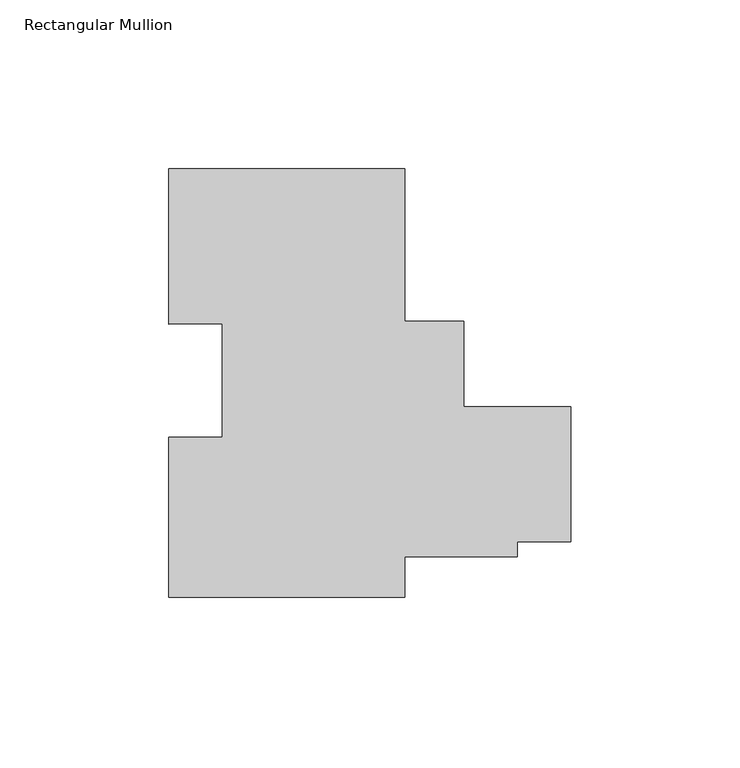
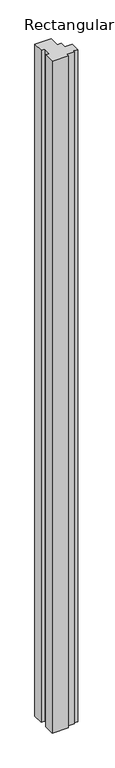
"""IFC4 building model written with IfcOpenShell, lengths in millimetres: member geometry, Rectangular Mullion."""

from ifc_helpers import new_model, si_unit, frame, origin, place, context, project, spatial, polyline, outline, extrude, source, transform, mapped, element, save


def rectangular_mullion_74294658(model_context):
    return source(origin(), model_context, "Body", "SweptSolid", [
        extrude(outline(polyline([(-49.3156857, 67.0605371), (-49.3156857, 21.8868327), (-31.74817, 21.8868327), (-31.74817, -3.5131673), (0.0, -3.5131673), (0.0, -43.5101448), (-15.8740905, -43.5101448), (-15.8740905, -47.9551448), (-49.3156857, -47.9551448), (-49.3156857, -59.9394629), (-119.1656857, -59.9394629), (-119.1656857, -12.4795629), (-103.2906857, -12.4795629), (-103.2906857, 21.1452492), (-119.1656857, 20.9512), (-119.1656857, 67.0605371), (-49.3156857, 67.0605371)])), frame((0.0, 0.0, -3048.0), z_axis=(0.0, 0.0, 1.0), x_axis=(1.0, 0.0, 0.0)), (0.0, 0.0, 1.0), 3048.0),
    ])


if __name__ == "__main__":
    model = new_model("IFC4")
    model_context = context("Model", 3, world=origin())
    ifc_project = project(units=[si_unit("LENGTHUNIT", "METRE", prefix="MILLI")], contexts=[model_context])
    site = spatial("IfcSite", under=ifc_project)
    building = spatial("IfcBuilding", under=site)
    placement = place(None, origin())
    rectangular_mullion_shape = rectangular_mullion_74294658(model_context)
    element("IfcMember", 1, ObjectType="Rectangular Mullion", at=placement, inside=building, context=model_context, shape_type="MappedRepresentation", body=[
        mapped(rectangular_mullion_shape, transform((0.0, 0.0, 0.0), x_axis=(1.0, 0.0, 0.0), y_axis=(0.0, 1.0, 0.0), z_axis=(0.0, 0.0, 1.0))),
    ])
    save(model, "model.ifc")
